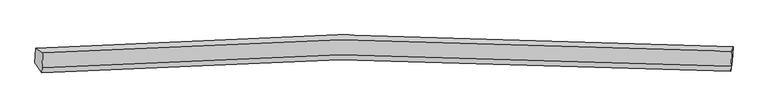
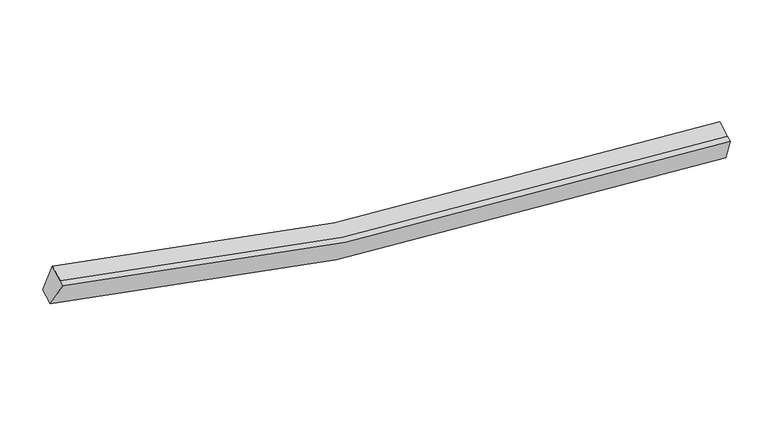
"""IFC4 building model written with IfcOpenShell, lengths in millimetres: proxy geometry."""

from ifc_helpers import new_model, si_unit, frame, origin, place, context, project, spatial, source, transform, mapped, element, save
from ifc_brep_helpers import plane_surface, spline_curve, spline_surface, advanced_brep


def generic_models_c38306f3(model_context):
    return source(origin(), model_context, "Body", "AdvancedBrep", [
        advanced_brep(
        [(-8912.029229, -1877.2370956, 4250.9831886), (-8712.2091378, -2004.9262907, 4971.471947), (10542.9951253, -1966.0581848, 2608.7483453), (10576.5284373, -1839.0209708, 1861.7050309), (-8733.05657, -2422.837882, 4798.5318005), (10522.1476932, -2383.9697761, 2435.8081988), (-8740.4237796, -2570.5223679, 4737.4170165), (10514.7804836, -2531.6542621, 2374.6934148), (-8932.5753773, -2289.1090939, 4080.542346), (10555.982289, -2250.8929691, 1691.2641883)],
        [
            (0, 1),
            (1, 2, spline_curve(3, [(-8712.2091378, -2004.9262907, 4971.471947), (-5958.01799355, -1793.681531597, 4161.878018737), (-3176.190544804, -1672.660049369, 3555.904053016), (3224.686156652, -1602.491671393, 2639.210124086), (6861.260128873, -1710.557118953, 2457.609555555), (10542.9951253, -1966.0581848, 2608.7483453)], [4, 2, 4], [0.0, 28.218348409131586, 64.29062082511233])),
            (2, 3),
            (3, 0, spline_curve(3, [(10576.5284373, -1839.0209708, 1861.7050309), (6850.230516655, -1580.699845637, 1709.123472904), (3169.609537141, -1471.328206113, 1892.87735133), (-3308.851428972, -1541.866711622, 2819.818255861), (-6124.416338737, -1663.977060124, 3432.490431093), (-8912.029229, -1877.2370956, 4250.9831886)], [4, 2, 4], [0.0, 36.07227241598074, 64.29062082511233])),
            (1, 4),
            (4, 5, spline_curve(3, [(-8733.05657, -2422.837882, 4798.5318005), (-5978.865425539, -2211.593123155, 3988.937872634), (-3197.037976873, -2090.571640109, 3382.963907033), (3203.838724512, -2020.403263408, 2466.269976925), (6840.412696804, -2128.468709303, 2284.66940972), (10522.1476932, -2383.9697761, 2435.8081988)], [4, 2, 4], [0.0, 28.048727282418398, 63.90416845790301])),
            (5, 2),
            (4, 6),
            (6, 7, spline_curve(3, [(-8740.4237796, -2570.5223679, 4737.4170165), (-5986.232635139, -2359.277609055, 3927.823088634), (-3204.405186573, -2238.256126009, 3321.849123033), (3196.471514812, -2168.087749308, 2405.155192925), (6833.045487204, -2276.153195303, 2223.55462572), (10514.7804836, -2531.6542621, 2374.6934148)], [4, 2, 4], [0.0, 28.048727282418415, 63.904168457903054])),
            (7, 5),
            (6, 8),
            (8, 9, spline_curve(3, [(-8932.5753773, -2289.1090939, 4080.542346), (-6144.962487037, -2075.849058424, 3262.049588493), (-3329.397577272, -1953.738709922, 2649.377413361), (3149.063388841, -1883.200204413, 1722.43650883), (6829.684368355, -1992.571843937, 1538.682630304), (10555.982289, -2250.8929691, 1691.2641883)], [4, 2, 4], [0.0, 28.218348409131618, 64.2906208251124])),
            (9, 7),
            (8, 0),
            (3, 9),
        ],
        [
            spline_surface(3, 3, [[(-8912.029229, -1877.2370956, 4250.9831886), (-6124.416339084, -1663.977059937, 3432.490430735), (-3308.851429369, -1541.866711607, 2819.818255977), (3169.609537649, -1471.328206133, 1892.877351183), (6850.230516699, -1580.699846205, 1709.123473373), (10576.5284373, -1839.0209708, 1861.7050309)], [(-8845.422531942, -1919.800160617, 4491.146108083), (-6068.95022381, -1707.211883756, 3675.619626837), (-3264.631134402, -1585.464490822, 3065.18018838), (3187.968410513, -1515.049361283, 2141.654942052), (6853.907053964, -1623.98560362, 1958.618834162), (10565.350666639, -1881.366708803, 2110.719469051)], [(-8778.815834858, -1962.363225683, 4731.309027517), (-6013.48410851, -1750.446707623, 3918.748822888), (-3220.410839444, -1629.06227002, 3310.542120818), (3206.327283369, -1558.770516414, 2390.432532955), (6857.583591212, -1667.271361027, 2208.1141949), (10554.172895961, -1923.712446797, 2359.733907149)], [(-8712.2091378, -2004.9262907, 4971.471947), (-5958.017993236, -1793.681531443, 4161.878018989), (-3176.190544476, -1672.660049236, 3555.904053221), (3224.686156233, -1602.491671563, 2639.210123824), (6861.260128477, -1710.557118441, 2457.60955569), (10542.9951253, -1966.0581848, 2608.7483453)]], [4, 4], [4, 2, 4], [0.0, 2.4885347485698923], [0.0, 28.218348409131586, 64.29062082511233]),
            spline_surface(3, 3, [[(-8712.2091378, -2004.9262907, 4971.471947), (-5958.017993236, -1793.681531443, 4161.878018989), (-3176.190544476, -1672.660049236, 3555.904053221), (3224.686156233, -1602.491671563, 2639.210123824), (6861.260128477, -1710.557118441, 2457.60955569), (10542.9951253, -1966.0581848, 2608.7483453)], [(-8719.158281852, -2144.230154463, 4913.825231501), (-5964.967137288, -1932.985395206, 4104.23130349), (-3183.139688529, -1811.963912999, 3498.257337722), (3217.73701218, -1741.795535326, 2581.563408325), (6854.310984424, -1849.860982205, 2399.962840191), (10536.045981248, -2105.362048563, 2551.101629801)], [(-8726.107425948, -2283.534018237, 4856.178515999), (-5971.916281383, -2072.28925898, 4046.584587989), (-3190.088832524, -1951.267776773, 3440.61062222), (3210.787868185, -1881.0993991, 2523.916692823), (6847.361840429, -1989.164845978, 2342.316124689), (10529.096837252, -2244.665912337, 2493.454914299)], [(-8733.05657, -2422.837882, 4798.5318005), (-5978.865425436, -2211.593122743, 3988.937872489), (-3197.037976576, -2090.571640536, 3382.963906721), (3203.838724133, -2020.403262863, 2466.269977324), (6840.412696377, -2128.468709741, 2284.66940919), (10522.1476932, -2383.9697761, 2435.8081988)]], [4, 4], [4, 2, 4], [0.0, 1.4854381078841457], [0.0, 28.048727282418398, 63.90416845790301]),
            spline_surface(3, 3, [[(-8733.05657, -2422.837882, 4798.5318005), (-5978.865425436, -2211.593122743, 3988.937872489), (-3197.037976576, -2090.571640536, 3382.963906721), (3203.838724133, -2020.403262863, 2466.269977324), (6840.412696377, -2128.468709741, 2284.66940919), (10522.1476932, -2383.9697761, 2435.8081988)], [(-8735.512306545, -2472.066043991, 4778.160205828), (-5981.321161981, -2260.821284734, 3968.566277817), (-3199.493713122, -2139.799802526, 3362.592312049), (3201.382987588, -2069.631424854, 2445.898382652), (6837.956959832, -2177.696871732, 2264.297814518), (10519.691956655, -2433.197938091, 2415.436604128)], [(-8737.968043055, -2521.294205909, 4757.788611172), (-5983.776898491, -2310.049446652, 3948.194683161), (-3201.949449731, -2189.027964445, 3342.220717393), (3198.927250978, -2118.859586772, 2425.526787996), (6835.501223322, -2226.925033751, 2243.926219862), (10517.236220145, -2482.426100109, 2395.065009472)], [(-8740.4237796, -2570.5223679, 4737.4170165), (-5986.232635036, -2359.277608643, 3927.823088489), (-3204.405186277, -2238.256126436, 3321.849122721), (3196.471514433, -2168.087748763, 2405.155193324), (6833.045486777, -2276.153195741, 2223.55462519), (10514.7804836, -2531.6542621, 2374.6934148)]], [4, 4], [4, 2, 4], [0.0, 0.5249343832021004], [0.0, 28.048727282418415, 63.904168457903054]),
            spline_surface(3, 3, [[(-8740.4237796, -2570.5223679, 4737.4170165), (-5986.232635036, -2359.277608643, 3927.823088489), (-3204.405186277, -2238.256126436, 3321.849122721), (3196.471514433, -2168.087748763, 2405.155193324), (6833.045486777, -2276.153195741, 2223.55462519), (10514.7804836, -2531.6542621, 2374.6934148)], [(-8804.47431217, -2476.717943238, 4518.458793006), (-6039.142585822, -2264.801425179, 3705.898588377), (-3246.069316756, -2143.416987576, 3097.691886307), (3180.668806057, -2073.125233969, 2177.582298444), (6831.925114, -2181.626078682, 1995.263960389), (10528.514418749, -2438.067164453, 2146.883672638)], [(-8868.52484473, -2382.913518562, 4299.500569494), (-6092.052536598, -2170.3252417, 3483.974088248), (-3287.73344719, -2048.577848767, 2873.534649891), (3164.866097725, -1978.162719227, 1950.009403563), (6830.804741175, -2087.098961564, 1766.973295573), (10542.248353851, -2344.480066747, 1919.073930462)], [(-8932.5753773, -2289.1090939, 4080.542346), (-6144.962487384, -2075.849058237, 3262.049588135), (-3329.397577669, -1953.738709907, 2649.377413477), (3149.063389349, -1883.200204433, 1722.436508683), (6829.684368399, -1992.571844505, 1538.682630773), (10555.982289, -2250.8929691, 1691.2641883)]], [4, 4], [4, 2, 4], [0.0, 2.4278077301180696], [0.0, 28.218348409131618, 64.2906208251124]),
            spline_surface(3, 3, [[(-8932.5753773, -2289.1090939, 4080.542346), (-6144.962487384, -2075.849058237, 3262.049588135), (-3329.397577669, -1953.738709907, 2649.377413477), (3149.063389349, -1883.200204433, 1722.436508683), (6829.684368399, -1992.571844505, 1538.682630773), (10555.982289, -2250.8929691, 1691.2641883)], [(-8925.726661191, -2151.81842779, 4137.355960182), (-6138.113771275, -1938.558392127, 3318.863202317), (-3322.54886156, -1816.448043797, 2706.191027659), (3155.912105459, -1745.909538324, 1779.250122865), (6836.533084508, -1855.281178395, 1595.496244955), (10562.831005109, -2113.60230299, 1748.077802482)], [(-8918.877945109, -2014.52776171, 4194.169574418), (-6131.265055194, -1801.267726046, 3375.676816553), (-3315.700145478, -1679.157377716, 2763.004641795), (3162.76082154, -1608.618872243, 1836.063737), (6843.381800589, -1717.990512315, 1652.30985919), (10569.679721191, -1976.31163691, 1804.891416718)], [(-8912.029229, -1877.2370956, 4250.9831886), (-6124.416339084, -1663.977059937, 3432.490430735), (-3308.851429369, -1541.866711607, 2819.818255977), (3169.609537649, -1471.328206133, 1892.877351183), (6850.230516699, -1580.699846205, 1709.123473373), (10576.5284373, -1839.0209708, 1861.7050309)]], [4, 4], [4, 2, 4], [0.0, 1.463970788655884], [0.0, 28.387969741161896, 64.67707366010114]),
            plane_surface(frame((10547.5715838, -2146.9065967, 2134.1027449), z_axis=(0.9973864847125027, -0.06379227891257079, 0.033922636453814325), x_axis=(0.05567811546958805, 0.3794071526223012, -0.9235530087638679))),
            plane_surface(frame((-8824.3093809, -2185.448712, 4510.1036246), z_axis=(-0.9646005871391768, -0.058310557356374845, 0.25718784223120705), x_axis=(-0.046045060219263516, -0.9230280373261549, -0.3819674001001013))),
        ],
        [
            (0, [[1, 2, 3, 4]]),
            (1, [[5, 6, 7, -2]]),
            (2, [[8, 9, 10, -6]]),
            (3, [[11, 12, 13, -9]]),
            (4, [[14, -4, 15, -12]]),
            (5, [[-13, -15, -3, -7, -10]]),
            (6, [[-14, -11, -8, -5, -1]]),
        ],
    ),
    ])


if __name__ == "__main__":
    model = new_model("IFC4")
    model_context = context("Model", 3, world=origin())
    ifc_project = project(units=[si_unit("LENGTHUNIT", "METRE", prefix="MILLI")], contexts=[model_context])
    site = spatial("IfcSite", under=ifc_project)
    building = spatial("IfcBuilding", under=site)
    placement = place(None, origin())
    generic_models_shape = generic_models_c38306f3(model_context)
    element("IfcBuildingElementProxy", 1, Name="Generic Models", at=placement, inside=building, context=model_context, shape_type="MappedRepresentation", body=[
        mapped(generic_models_shape, transform((0.0, 0.0, 0.0), x_axis=(1.0, 0.0, 0.0), y_axis=(0.0, 1.0, 0.0), z_axis=(0.0, 0.0, 1.0))),
    ])
    save(model, "model.ifc")
